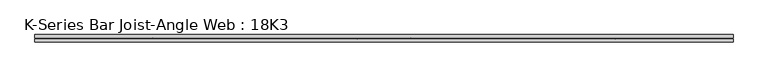
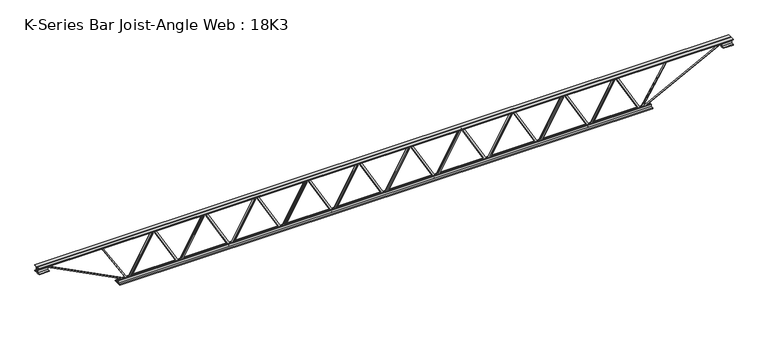
"""IFC4 building model written with IfcOpenShell, lengths in millimetres: beam geometry, K-Series Bar Joist-Angle Web : 18K3."""

from ifc_helpers import new_model, si_unit, frame, origin, place, context, project, spatial, polyline, outline, extrude, faceted_brep, source, transform, mapped, element, save


def k_series_bar_joist_angle_web_18k3_22916ee3(model_context):
    return source(origin(), model_context, "Body", "SolidModel", [
        extrude(outline(polyline([(-4.7625, 4.7624999), (-4.7625, 0.0), (-17.4625, 0.0), (-17.4625, 4.7624999), (-4.7625, 4.7624999)])), frame((2040.8427005, 0.0, -190.5), z_axis=(-0.4957090542764608, 0.0, 0.8684886490382802), x_axis=(0.0, -1.0, 0.0)), (0.0, 0.0, 1.0), 438.6931256),
        extrude(outline(polyline([(-225.425, 2072.6576389), (-206.375, 2072.6576389), (-206.375, 2071.8383632), (225.425, 1825.3789882), (225.425, 1807.1482639), (206.375, 1807.1482639), (206.375, 1814.3175396), (-225.425, 2060.7769146), (-225.425, 2072.6576389)])), frame((0.0, 0.0, 0.0), z_axis=(0.0, 1.0, 0.0), x_axis=(0.0, 0.0, 1.0)), (0.0, 0.0, 1.0), 4.7625),
        faceted_brep([(1554.3388889, 0.0, -206.375), (1554.3388889, 0.0, -225.425), (1554.3388889, -4.7625, -225.425), (1554.3388889, -4.7625, -206.375), (1555.1581646, 0.0, -206.375), (1801.6175396, 0.0, 225.425), (1819.8482639, 0.0, 225.425), (1819.8482639, 0.0, 206.375), (1812.6789882, 0.0, 206.375), (1566.2196132, 0.0, -225.425), (1566.2196132, -4.7625, -225.425), (1586.1538273, -4.7625, -190.5), (1582.0176501, -4.7625, -188.1391856), (1799.4818045, -4.7625, 192.8608144), (1803.6179817, -4.7625, 190.5), (1812.6789882, -4.7625, 206.375), (1819.8482639, -4.7625, 206.375), (1819.8482639, -4.7625, 225.425), (1801.6175396, -4.7625, 225.425), (1555.1581646, -4.7625, -206.375), (1803.6179817, -17.4625, 190.5), (1586.1538273, -17.4625, -190.5), (1582.0176501, -17.4625, -188.1391856), (1799.4818045, -17.4625, 192.8608144)], [[[0, 1, 2, 3]], [[1, 0, 4, 5, 6, 7, 8, 9]], [[2, 1, 9, 10]], [[3, 2, 10, 11, 12, 13, 14, 15, 16, 17, 18, 19]], [[0, 3, 19, 4]], [[9, 8, 15, 14, 20, 21, 11, 10]], [[5, 4, 19, 18]], [[7, 6, 17, 16]], [[8, 7, 16, 15]], [[6, 5, 18, 17]], [[21, 22, 12, 11]], [[20, 14, 13, 23]], [[22, 21, 20, 23]], [[12, 22, 23, 13]]]),
        extrude(outline(polyline([(-4.7625, 4.7625), (-4.7625, 0.0), (-17.4625, 0.0), (-17.4625, 4.7625), (-4.7625, 4.7625)])), frame((1522.7003393, 0.0, -190.5), z_axis=(-0.4957090542764608, 0.0, 0.8684886490382802), x_axis=(0.0, -1.0, 0.0)), (0.0, 0.0, 1.0), 438.6931256),
        extrude(outline(polyline([(-225.425, 1554.5152778), (-206.375, 1554.5152778), (-206.375, 1553.6960021), (225.425, 1307.2366271), (225.425, 1289.0059028), (206.375, 1289.0059028), (206.375, 1296.1751785), (-225.425, 1542.6345535), (-225.425, 1554.5152778)])), frame((0.0, 0.0, 0.0), z_axis=(0.0, 1.0, 0.0), x_axis=(0.0, 0.0, 1.0)), (0.0, 0.0, 1.0), 4.7625),
        faceted_brep([(1036.1965278, 0.0, -206.375), (1036.1965278, 0.0, -225.425), (1036.1965278, -4.7625, -225.425), (1036.1965278, -4.7625, -206.375), (1037.0158035, 0.0, -206.375), (1283.4751785, 0.0, 225.425), (1301.7059028, 0.0, 225.425), (1301.7059028, 0.0, 206.375), (1294.5366271, 0.0, 206.375), (1048.0772521, 0.0, -225.425), (1048.0772521, -4.7625, -225.425), (1068.0114662, -4.7625, -190.5), (1063.875289, -4.7625, -188.1391856), (1281.3394434, -4.7625, 192.8608144), (1285.4756206, -4.7625, 190.5), (1294.5366271, -4.7625, 206.375), (1301.7059028, -4.7625, 206.375), (1301.7059028, -4.7625, 225.425), (1283.4751785, -4.7625, 225.425), (1037.0158035, -4.7625, -206.375), (1285.4756206, -17.4625, 190.5), (1068.0114662, -17.4625, -190.5), (1063.875289, -17.4625, -188.1391856), (1281.3394434, -17.4625, 192.8608144)], [[[0, 1, 2, 3]], [[1, 0, 4, 5, 6, 7, 8, 9]], [[2, 1, 9, 10]], [[3, 2, 10, 11, 12, 13, 14, 15, 16, 17, 18, 19]], [[0, 3, 19, 4]], [[9, 8, 15, 14, 20, 21, 11, 10]], [[5, 4, 19, 18]], [[7, 6, 17, 16]], [[8, 7, 16, 15]], [[6, 5, 18, 17]], [[21, 22, 12, 11]], [[20, 14, 13, 23]], [[22, 21, 20, 23]], [[12, 22, 23, 13]]]),
        extrude(outline(polyline([(-4.7625, 4.7625), (-4.7625, 0.0), (-17.4625, 0.0), (-17.4625, 4.7625), (-4.7625, 4.7625)])), frame((1004.5579782, 0.0, -190.5), z_axis=(-0.4957090542764608, 0.0, 0.8684886490382802), x_axis=(0.0, -1.0, 0.0)), (0.0, 0.0, 1.0), 438.6931256),
        extrude(outline(polyline([(-225.425, 1036.3729167), (-206.375, 1036.3729167), (-206.375, 1035.5536409), (225.425, 789.0942659), (225.425, 770.8635417), (206.375, 770.8635417), (206.375, 778.0328174), (-225.425, 1024.4921924), (-225.425, 1036.3729167)])), frame((0.0, 0.0, 0.0), z_axis=(0.0, 1.0, 0.0), x_axis=(0.0, 0.0, 1.0)), (0.0, 0.0, 1.0), 4.7625),
        faceted_brep([(518.0541667, 0.0, -206.375), (518.0541667, 0.0, -225.425), (518.0541667, -4.7625, -225.425), (518.0541667, -4.7625, -206.375), (518.8734424, 0.0, -206.375), (765.3328174, 0.0, 225.425), (783.5635417, 0.0, 225.425), (783.5635417, 0.0, 206.375), (776.3942659, 0.0, 206.375), (529.9348909, 0.0, -225.425), (529.9348909, -4.7625, -225.425), (549.8691051, -4.7625, -190.5), (545.7329279, -4.7625, -188.1391856), (763.1970823, -4.7625, 192.8608144), (767.3332595, -4.7625, 190.5), (776.3942659, -4.7625, 206.375), (783.5635417, -4.7625, 206.375), (783.5635417, -4.7625, 225.425), (765.3328174, -4.7625, 225.425), (518.8734424, -4.7625, -206.375), (767.3332595, -17.4625, 190.5), (549.8691051, -17.4625, -190.5), (545.7329279, -17.4625, -188.1391856), (763.1970823, -17.4625, 192.8608144)], [[[0, 1, 2, 3]], [[1, 0, 4, 5, 6, 7, 8, 9]], [[2, 1, 9, 10]], [[3, 2, 10, 11, 12, 13, 14, 15, 16, 17, 18, 19]], [[0, 3, 19, 4]], [[9, 8, 15, 14, 20, 21, 11, 10]], [[5, 4, 19, 18]], [[7, 6, 17, 16]], [[8, 7, 16, 15]], [[6, 5, 18, 17]], [[21, 22, 12, 11]], [[20, 14, 13, 23]], [[22, 21, 20, 23]], [[12, 22, 23, 13]]]),
        extrude(outline(polyline([(-4.7625, 4.7625), (-4.7625, 0.0), (-17.4625, 0.0), (-17.4625, 4.7625), (-4.7625, 4.7625)])), frame((486.4156171, 0.0, -190.5), z_axis=(-0.4957090542764608, 0.0, 0.8684886490382802), x_axis=(0.0, -1.0, 0.0)), (0.0, 0.0, 1.0), 438.6931256),
        extrude(outline(polyline([(-225.425, 518.2305556), (-206.375, 518.2305556), (-206.375, 517.4112798), (225.425, 270.9519048), (225.425, 252.7211806), (206.375, 252.7211806), (206.375, 259.8904563), (-225.425, 506.3498313), (-225.425, 518.2305556)])), frame((0.0, 0.0, 0.0), z_axis=(0.0, 1.0, 0.0), x_axis=(0.0, 0.0, 1.0)), (0.0, 0.0, 1.0), 4.7625),
        faceted_brep([(-0.0881944, 0.0, -206.375), (-0.0881944, 0.0, -225.425), (-0.0881944, -4.7625, -225.425), (-0.0881944, -4.7625, -206.375), (0.7310813, 0.0, -206.375), (247.1904563, 0.0, 225.425), (265.4211806, 0.0, 225.425), (265.4211806, 0.0, 206.375), (258.2519048, 0.0, 206.375), (11.7925298, 0.0, -225.425), (11.7925298, -4.7625, -225.425), (31.726744, -4.7625, -190.5), (27.5905668, -4.7625, -188.1391856), (245.0547212, -4.7625, 192.8608144), (249.1908984, -4.7625, 190.5), (258.2519048, -4.7625, 206.375), (265.4211806, -4.7625, 206.375), (265.4211806, -4.7625, 225.425), (247.1904563, -4.7625, 225.425), (0.7310813, -4.7625, -206.375), (249.1908984, -17.4625, 190.5), (31.726744, -17.4625, -190.5), (27.5905668, -17.4625, -188.1391856), (245.0547212, -17.4625, 192.8608144)], [[[0, 1, 2, 3]], [[1, 0, 4, 5, 6, 7, 8, 9]], [[2, 1, 9, 10]], [[3, 2, 10, 11, 12, 13, 14, 15, 16, 17, 18, 19]], [[0, 3, 19, 4]], [[9, 8, 15, 14, 20, 21, 11, 10]], [[5, 4, 19, 18]], [[7, 6, 17, 16]], [[8, 7, 16, 15]], [[6, 5, 18, 17]], [[21, 22, 12, 11]], [[20, 14, 13, 23]], [[22, 21, 20, 23]], [[12, 22, 23, 13]]]),
        extrude(outline(polyline([(-4.7625, 4.7625), (-4.7625, 0.0), (-17.4625, 0.0), (-17.4625, 4.7625), (-4.7625, 4.7625)])), frame((-31.726744, 0.0, -190.5), z_axis=(-0.4957090542764608, 0.0, 0.8684886490382802), x_axis=(0.0, -1.0, 0.0)), (0.0, 0.0, 1.0), 438.6931256),
        extrude(outline(polyline([(-225.425, 0.0881944), (-206.375, 0.0881944), (-206.375, -0.7310813), (225.425, -247.1904563), (225.425, -265.4211806), (206.375, -265.4211806), (206.375, -258.2519048), (-225.425, -11.7925298), (-225.425, 0.0881944)])), frame((0.0, 0.0, 0.0), z_axis=(0.0, 1.0, 0.0), x_axis=(0.0, 0.0, 1.0)), (0.0, 0.0, 1.0), 4.7625),
        faceted_brep([(-518.2305556, 0.0, -206.375), (-518.2305556, 0.0, -225.425), (-518.2305556, -4.7625, -225.425), (-518.2305556, -4.7625, -206.375), (-517.4112798, 0.0, -206.375), (-270.9519048, 0.0, 225.425), (-252.7211806, 0.0, 225.425), (-252.7211806, 0.0, 206.375), (-259.8904563, 0.0, 206.375), (-506.3498313, 0.0, -225.425), (-506.3498313, -4.7625, -225.425), (-486.4156171, -4.7625, -190.5), (-490.5517943, -4.7625, -188.1391856), (-273.0876399, -4.7625, 192.8608144), (-268.9514627, -4.7625, 190.5), (-259.8904563, -4.7625, 206.375), (-252.7211806, -4.7625, 206.375), (-252.7211806, -4.7625, 225.425), (-270.9519048, -4.7625, 225.425), (-517.4112798, -4.7625, -206.375), (-268.9514627, -17.4625, 190.5), (-486.4156171, -17.4625, -190.5), (-490.5517943, -17.4625, -188.1391856), (-273.0876399, -17.4625, 192.8608144)], [[[0, 1, 2, 3]], [[1, 0, 4, 5, 6, 7, 8, 9]], [[2, 1, 9, 10]], [[3, 2, 10, 11, 12, 13, 14, 15, 16, 17, 18, 19]], [[0, 3, 19, 4]], [[9, 8, 15, 14, 20, 21, 11, 10]], [[5, 4, 19, 18]], [[7, 6, 17, 16]], [[8, 7, 16, 15]], [[6, 5, 18, 17]], [[21, 22, 12, 11]], [[20, 14, 13, 23]], [[22, 21, 20, 23]], [[12, 22, 23, 13]]]),
        extrude(outline(polyline([(-4.7625, 4.7625), (-4.7625, 0.0), (-17.4625, 0.0), (-17.4625, 4.7625), (-4.7625, 4.7625)])), frame((-549.8691051, 0.0, -190.5), z_axis=(-0.4957090542764608, 0.0, 0.8684886490382802), x_axis=(0.0, -1.0, 0.0)), (0.0, 0.0, 1.0), 438.6931256),
        extrude(outline(polyline([(-225.425, -518.0541667), (-206.375, -518.0541667), (-206.375, -518.8734424), (225.425, -765.3328174), (225.425, -783.5635417), (206.375, -783.5635417), (206.375, -776.3942659), (-225.425, -529.9348909), (-225.425, -518.0541667)])), frame((0.0, 0.0, 0.0), z_axis=(0.0, 1.0, 0.0), x_axis=(0.0, 0.0, 1.0)), (0.0, 0.0, 1.0), 4.7625),
        faceted_brep([(-1036.3729167, 0.0, -206.375), (-1036.3729167, 0.0, -225.425), (-1036.3729167, -4.7625, -225.425), (-1036.3729167, -4.7625, -206.375), (-1035.5536409, 0.0, -206.375), (-789.0942659, 0.0, 225.425), (-770.8635417, 0.0, 225.425), (-770.8635417, 0.0, 206.375), (-778.0328174, 0.0, 206.375), (-1024.4921924, 0.0, -225.425), (-1024.4921924, -4.7625, -225.425), (-1004.5579782, -4.7625, -190.5), (-1008.6941554, -4.7625, -188.1391856), (-791.230001, -4.7625, 192.8608144), (-787.0938238, -4.7625, 190.5), (-778.0328174, -4.7625, 206.375), (-770.8635417, -4.7625, 206.375), (-770.8635417, -4.7625, 225.425), (-789.0942659, -4.7625, 225.425), (-1035.5536409, -4.7625, -206.375), (-787.0938238, -17.4625, 190.5), (-1004.5579782, -17.4625, -190.5), (-1008.6941554, -17.4625, -188.1391856), (-791.230001, -17.4625, 192.8608144)], [[[0, 1, 2, 3]], [[1, 0, 4, 5, 6, 7, 8, 9]], [[2, 1, 9, 10]], [[3, 2, 10, 11, 12, 13, 14, 15, 16, 17, 18, 19]], [[0, 3, 19, 4]], [[9, 8, 15, 14, 20, 21, 11, 10]], [[5, 4, 19, 18]], [[7, 6, 17, 16]], [[8, 7, 16, 15]], [[6, 5, 18, 17]], [[21, 22, 12, 11]], [[20, 14, 13, 23]], [[22, 21, 20, 23]], [[12, 22, 23, 13]]]),
        extrude(outline(polyline([(-4.7625, 4.7625), (-4.7625, 0.0), (-17.4625, 0.0), (-17.4625, 4.7625), (-4.7625, 4.7625)])), frame((-1068.0114662, 0.0, -190.5), z_axis=(-0.4957090542764608, 0.0, 0.8684886490382802), x_axis=(0.0, -1.0, 0.0)), (0.0, 0.0, 1.0), 438.6931256),
        extrude(outline(polyline([(-225.425, -1036.1965278), (-206.375, -1036.1965278), (-206.375, -1037.0158035), (225.425, -1283.4751785), (225.425, -1301.7059028), (206.375, -1301.7059028), (206.375, -1294.5366271), (-225.425, -1048.0772521), (-225.425, -1036.1965278)])), frame((0.0, 0.0, 0.0), z_axis=(0.0, 1.0, 0.0), x_axis=(0.0, 0.0, 1.0)), (0.0, 0.0, 1.0), 4.7625),
        faceted_brep([(-1554.5152778, 0.0, -206.375), (-1554.5152778, 0.0, -225.425), (-1554.5152778, -4.7625, -225.425), (-1554.5152778, -4.7625, -206.375), (-1553.6960021, 0.0, -206.375), (-1307.2366271, 0.0, 225.425), (-1289.0059028, 0.0, 225.425), (-1289.0059028, 0.0, 206.375), (-1296.1751785, 0.0, 206.375), (-1542.6345535, 0.0, -225.425), (-1542.6345535, -4.7625, -225.425), (-1522.7003393, -4.7625, -190.5), (-1526.8365165, -4.7625, -188.1391856), (-1309.3723621, -4.7625, 192.8608144), (-1305.2361849, -4.7625, 190.5), (-1296.1751785, -4.7625, 206.375), (-1289.0059028, -4.7625, 206.375), (-1289.0059028, -4.7625, 225.425), (-1307.2366271, -4.7625, 225.425), (-1553.6960021, -4.7625, -206.375), (-1305.2361849, -17.4625, 190.5), (-1522.7003393, -17.4625, -190.5), (-1526.8365165, -17.4625, -188.1391856), (-1309.3723621, -17.4625, 192.8608144)], [[[0, 1, 2, 3]], [[1, 0, 4, 5, 6, 7, 8, 9]], [[2, 1, 9, 10]], [[3, 2, 10, 11, 12, 13, 14, 15, 16, 17, 18, 19]], [[0, 3, 19, 4]], [[9, 8, 15, 14, 20, 21, 11, 10]], [[5, 4, 19, 18]], [[7, 6, 17, 16]], [[8, 7, 16, 15]], [[6, 5, 18, 17]], [[21, 22, 12, 11]], [[20, 14, 13, 23]], [[22, 21, 20, 23]], [[12, 22, 23, 13]]]),
        extrude(outline(polyline([(-4.7625, 4.7625), (-4.7625, 0.0), (-17.4625, 0.0), (-17.4625, 4.7625), (-4.7625, 4.7625)])), frame((-1586.1538273, 0.0, -190.5), z_axis=(-0.4957090542764608, 0.0, 0.8684886490382802), x_axis=(0.0, -1.0, 0.0)), (0.0, 0.0, 1.0), 438.6931256),
        extrude(outline(polyline([(-225.425, -1554.3388889), (-206.375, -1554.3388889), (-206.375, -1555.1581646), (225.425, -1801.6175396), (225.425, -1819.8482639), (206.375, -1819.8482639), (206.375, -1812.6789882), (-225.425, -1566.2196132), (-225.425, -1554.3388889)])), frame((0.0, 0.0, 0.0), z_axis=(0.0, 1.0, 0.0), x_axis=(0.0, 0.0, 1.0)), (0.0, 0.0, 1.0), 4.7625),
        faceted_brep([(-2072.6576389, 0.0, -206.375), (-2072.6576389, 0.0, -225.425), (-2072.6576389, -4.7625, -225.425), (-2072.6576389, -4.7625, -206.375), (-2071.8383632, 0.0, -206.375), (-1825.3789882, 0.0, 225.425), (-1807.1482639, 0.0, 225.425), (-1807.1482639, 0.0, 206.375), (-1814.3175396, 0.0, 206.375), (-2060.7769146, 0.0, -225.425), (-2060.7769146, -4.7625, -225.425), (-2040.8427005, -4.7625, -190.5), (-2044.9788776, -4.7625, -188.1391856), (-1827.5147232, -4.7625, 192.8608144), (-1823.378546, -4.7625, 190.5), (-1814.3175396, -4.7625, 206.375), (-1807.1482639, -4.7625, 206.375), (-1807.1482639, -4.7625, 225.425), (-1825.3789882, -4.7625, 225.425), (-2071.8383632, -4.7625, -206.375), (-1823.378546, -17.4625, 190.5), (-2040.8427005, -17.4625, -190.5), (-2044.9788776, -17.4625, -188.1391856), (-1827.5147232, -17.4625, 192.8608144)], [[[0, 1, 2, 3]], [[1, 0, 4, 5, 6, 7, 8, 9]], [[2, 1, 9, 10]], [[3, 2, 10, 11, 12, 13, 14, 15, 16, 17, 18, 19]], [[0, 3, 19, 4]], [[9, 8, 15, 14, 20, 21, 11, 10]], [[5, 4, 19, 18]], [[7, 6, 17, 16]], [[8, 7, 16, 15]], [[6, 5, 18, 17]], [[21, 22, 12, 11]], [[20, 14, 13, 23]], [[22, 21, 20, 23]], [[12, 22, 23, 13]]]),
        extrude(outline(polyline([(-4.7625, 4.7625), (-4.7625, 0.0), (-17.4625, 0.0), (-17.4625, 4.7625), (-4.7625, 4.7625)])), frame((2558.9850616, 0.0, -190.5), z_axis=(-0.4957090542764608, 0.0, 0.8684886490382802), x_axis=(0.0, -1.0, 0.0)), (0.0, 0.0, 1.0), 438.6931256),
        extrude(outline(polyline([(-225.425, 2590.8), (-206.375, 2590.8), (-206.375, 2589.9807243), (225.425, 2343.5213493), (225.425, 2325.290625), (206.375, 2325.290625), (206.375, 2332.4599007), (-225.425, 2578.9192757), (-225.425, 2590.8)])), frame((0.0, 0.0, 0.0), z_axis=(0.0, 1.0, 0.0), x_axis=(0.0, 0.0, 1.0)), (0.0, 0.0, 1.0), 4.7625),
        faceted_brep([(2072.48125, 0.0, -206.375), (2072.48125, 0.0, -225.425), (2072.48125, -4.7625, -225.425), (2072.48125, -4.7625, -206.375), (2073.3005257, 0.0, -206.375), (2319.7599007, 0.0, 225.425), (2337.990625, 0.0, 225.425), (2337.990625, 0.0, 206.375), (2330.8213493, 0.0, 206.375), (2084.3619743, 0.0, -225.425), (2084.3619743, -4.7625, -225.425), (2104.2961884, -4.7625, -190.5), (2100.1600112, -4.7625, -188.1391856), (2317.6241657, -4.7625, 192.8608144), (2321.7603428, -4.7625, 190.5), (2330.8213493, -4.7625, 206.375), (2337.990625, -4.7625, 206.375), (2337.990625, -4.7625, 225.425), (2319.7599007, -4.7625, 225.425), (2073.3005257, -4.7625, -206.375), (2321.7603428, -17.4625, 190.5), (2104.2961884, -17.4625, -190.5), (2100.1600112, -17.4625, -188.1391856), (2317.6241657, -17.4625, 192.8608144)], [[[0, 1, 2, 3]], [[1, 0, 4, 5, 6, 7, 8, 9]], [[2, 1, 9, 10]], [[3, 2, 10, 11, 12, 13, 14, 15, 16, 17, 18, 19]], [[0, 3, 19, 4]], [[9, 8, 15, 14, 20, 21, 11, 10]], [[5, 4, 19, 18]], [[7, 6, 17, 16]], [[8, 7, 16, 15]], [[6, 5, 18, 17]], [[21, 22, 12, 11]], [[20, 14, 13, 23]], [[22, 21, 20, 23]], [[12, 22, 23, 13]]]),
        extrude(outline(polyline([(-4.7625, 4.7625), (-4.7625, 0.0), (-17.4625, 0.0), (-17.4625, 4.7625), (-4.7625, 4.7625)])), frame((-2104.2961884, 0.0, -190.5), z_axis=(-0.4957090542764608, 0.0, 0.8684886490382802), x_axis=(0.0, -1.0, 0.0)), (0.0, 0.0, 1.0), 438.6931256),
        extrude(outline(polyline([(-225.425, -2072.48125), (-206.375, -2072.48125), (-206.375, -2073.3005257), (225.425, -2319.7599007), (225.425, -2337.990625), (206.375, -2337.990625), (206.375, -2330.8213493), (-225.425, -2084.3619743), (-225.425, -2072.48125)])), frame((0.0, 0.0, 0.0), z_axis=(0.0, 1.0, 0.0), x_axis=(0.0, 0.0, 1.0)), (0.0, 0.0, 1.0), 4.7625),
        faceted_brep([(-2590.8, 0.0, -206.375), (-2590.8, 0.0, -225.425), (-2590.8, -4.7625, -225.425), (-2590.8, -4.7625, -206.375), (-2589.9807243, 0.0, -206.375), (-2343.5213493, 0.0, 225.425), (-2325.290625, 0.0, 225.425), (-2325.290625, 0.0, 206.375), (-2332.4599007, 0.0, 206.375), (-2578.9192757, 0.0, -225.425), (-2578.9192757, -4.7625, -225.425), (-2558.9850616, -4.7625, -190.5), (-2563.1212388, -4.7625, -188.1391856), (-2345.6570843, -4.7625, 192.8608144), (-2341.5209072, -4.7625, 190.5), (-2332.4599007, -4.7625, 206.375), (-2325.290625, -4.7625, 206.375), (-2325.290625, -4.7625, 225.425), (-2343.5213493, -4.7625, 225.425), (-2589.9807243, -4.7625, -206.375), (-2341.5209072, -17.4625, 190.5), (-2558.9850616, -17.4625, -190.5), (-2563.1212388, -17.4625, -188.1391856), (-2345.6570843, -17.4625, 192.8608144)], [[[0, 1, 2, 3]], [[1, 0, 4, 5, 6, 7, 8, 9]], [[2, 1, 9, 10]], [[3, 2, 10, 11, 12, 13, 14, 15, 16, 17, 18, 19]], [[0, 3, 19, 4]], [[9, 8, 15, 14, 20, 21, 11, 10]], [[5, 4, 19, 18]], [[7, 6, 17, 16]], [[8, 7, 16, 15]], [[6, 5, 18, 17]], [[21, 22, 12, 11]], [[20, 14, 13, 23]], [[22, 21, 20, 23]], [[12, 22, 23, 13]]]),
        extrude(outline(polyline([(4.7625, 228.6), (36.5125, 228.6), (36.5125, 222.25), (11.1125, 222.25), (11.1125, 196.85), (4.7625, 196.85), (4.7625, 228.6)])), frame((-3505.2, 0.0, 0.0), z_axis=(1.0, 0.0, 0.0), x_axis=(0.0, 1.0, 0.0)), (0.0, 0.0, 1.0), 7010.4),
        extrude(outline(polyline([(-4.7625, 228.6), (-4.7625, 196.85), (-11.1125, 196.85), (-11.1125, 222.25), (-36.5125, 222.25), (-36.5125, 228.6), (-4.7625, 228.6)])), frame((-3505.2, 0.0, 0.0), z_axis=(1.0, 0.0, 0.0), x_axis=(0.0, 1.0, 0.0)), (0.0, 0.0, 1.0), 7010.4),
        extrude(outline(polyline([(-4.7625, 165.1), (-36.5125, 165.1), (-36.5125, 171.45), (-11.1125, 171.45), (-11.1125, 196.85), (-4.7625, 196.85), (-4.7625, 165.1)])), frame((-3505.2, 0.0, 0.0), z_axis=(1.0, 0.0, 0.0), x_axis=(0.0, 1.0, 0.0)), (0.0, 0.0, 1.0), 101.6),
        extrude(outline(polyline([(36.5125, 165.1), (4.7625, 165.1), (4.7625, 196.85), (11.1125, 196.85), (11.1125, 171.45), (36.5125, 171.45), (36.5125, 165.1)])), frame((-3505.2, 0.0, 0.0), z_axis=(1.0, 0.0, 0.0), x_axis=(0.0, 1.0, 0.0)), (0.0, 0.0, 1.0), 101.6),
        extrude(outline(polyline([(4.7625, 165.1), (4.7625, 196.85), (11.1125, 196.85), (11.1125, 171.45), (36.5125, 171.45), (36.5125, 165.1), (4.7625, 165.1)])), frame((3403.6, 0.0, 0.0), z_axis=(1.0, 0.0, 0.0), x_axis=(0.0, 1.0, 0.0)), (0.0, 0.0, 1.0), 101.6),
        extrude(outline(polyline([(-4.7625, 165.1), (-36.5125, 165.1), (-36.5125, 171.45), (-11.1125, 171.45), (-11.1125, 196.85), (-4.7625, 196.85), (-4.7625, 165.1)])), frame((3403.6, 0.0, 0.0), z_axis=(1.0, 0.0, 0.0), x_axis=(0.0, 1.0, 0.0)), (0.0, 0.0, 1.0), 101.6),
        extrude(outline(polyline([(4.7625, -228.6), (4.7625, -196.85), (11.1125, -196.85), (11.1125, -222.25), (36.5125, -222.25), (36.5125, -228.6), (4.7625, -228.6)])), frame((-2692.4, 0.0, 0.0), z_axis=(1.0, 0.0, 0.0), x_axis=(0.0, 1.0, 0.0)), (0.0, 0.0, 1.0), 5384.8),
        extrude(outline(polyline([(-4.7625, -228.6), (-36.5125, -228.6), (-36.5125, -222.25), (-11.1125, -222.25), (-11.1125, -196.85), (-4.7625, -196.85), (-4.7625, -228.6)])), frame((-2692.4, 0.0, 0.0), z_axis=(1.0, 0.0, 0.0), x_axis=(0.0, 1.0, 0.0)), (0.0, 0.0, 1.0), 5384.8),
        extrude(outline(polyline([(4.7625, 4.7625), (4.7625, -4.7625), (-4.7625, -4.7625), (-4.7625, 4.7625), (4.7625, 4.7625)])), frame((2590.8, 0.0, -222.25), z_axis=(0.5259386385299848, 0.0, 0.8505225149878315), x_axis=(0.0, -1.0, 0.0)), (0.0, 0.0, 1.0), 492.7559149),
        extrude(outline(polyline([(4.7625, 4.7625), (4.7625, -4.7625), (-4.7625, -4.7625), (-4.7625, 4.7625), (4.7625, 4.7625)])), frame((-2590.8, 0.0, -222.25), z_axis=(-0.5259386385299578, 0.0, 0.8505225149878481), x_axis=(0.0, -1.0, 0.0)), (0.0, 0.0, 1.0), 492.7559149),
        extrude(outline(polyline([(0.0, -9.525), (0.0, 0.0), (914.4881902, 0.0), (914.4881902, -9.525), (0.0, -9.525)])), frame((3405.782602, -4.7625, 192.6170749), z_axis=(-0.458289133194621, 0.0, 0.8888031674086918), x_axis=(-0.8888031674086918, 0.0, -0.458289133194621)), (0.0, 0.0, 1.0), 9.525),
        extrude(outline(polyline([(0.0, -9.525), (0.0, 0.0), (914.4881902, 0.0), (914.4881902, -9.525), (0.0, -9.525)])), frame((-3405.782602, 4.7625, 192.6170749), z_axis=(0.45828913319461984, 0.0, 0.8888031674086924), x_axis=(0.8888031674086924, 0.0, -0.45828913319461984)), (0.0, 0.0, 1.0), 9.525),
    ])


if __name__ == "__main__":
    model = new_model("IFC4")
    model_context = context("Model", 3, world=origin())
    ifc_project = project(units=[si_unit("LENGTHUNIT", "METRE", prefix="MILLI")], contexts=[model_context])
    site = spatial("IfcSite", under=ifc_project)
    building = spatial("IfcBuilding", under=site)
    placement = place(None, origin())
    k_series_bar_joist_angle_web_18k3_shape = k_series_bar_joist_angle_web_18k3_22916ee3(model_context)
    element("IfcBeam", 1, ObjectType="K-Series Bar Joist-Angle Web : 18K3", at=placement, inside=building, context=model_context, shape_type="MappedRepresentation", body=[
        mapped(k_series_bar_joist_angle_web_18k3_shape, transform((0.0, 0.0, 0.0), x_axis=(1.0, 0.0, 0.0), y_axis=(0.0, 1.0, 0.0), z_axis=(0.0, 0.0, 1.0))),
    ])
    save(model, "model.ifc")
